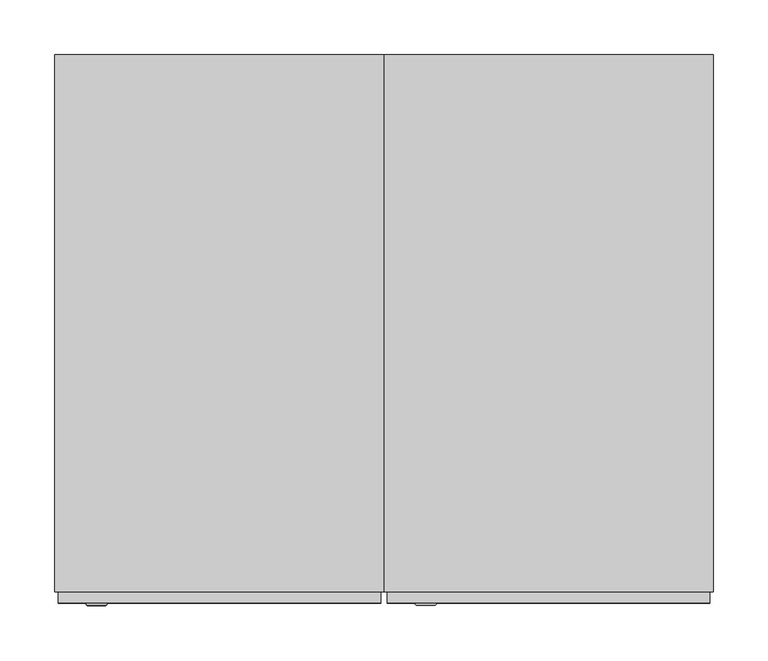
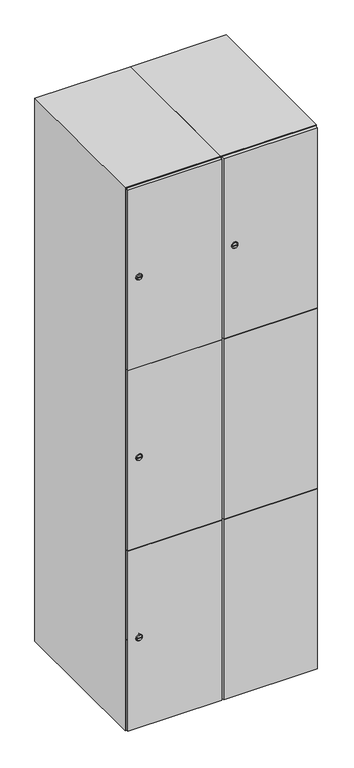
"""IFC4 building model written with IfcOpenShell, lengths in millimetres: furniture geometry."""

import ifcopenshell
import ifcopenshell.guid

model = None  # the IFC model being written
_history = None  # IfcOwnerHistory: only IFC2X3 demands one
_inside = {}  # id of a spatial element -> (the spatial element, [elements in it])
_under = {}  # id of a project, library or spatial element -> (it, [spatial elements below it])
_declared = {}  # id of a project -> (the project, [libraries it declares])
_typed = {}  # id of a type object -> (the type object, [elements of that type])
_made_of = {}  # id of a material, layer set ... -> (it, [elements and type objects made of it])


def new_model(schema):
    """Start an empty IFC model of exactly this schema.

    Asked for "IFC4X3", IfcOpenShell would pick the latest addendum, in which some entities
    have other attributes; the version numbers below select the first issue.
    IFC2X3 requires an IfcOwnerHistory on every rooted entity: one is made here for all.
    """
    global model, _history
    if schema == "IFC4X3":
        model = ifcopenshell.file(schema_version=(4, 3, 0, 0))
    else:
        model = ifcopenshell.file(schema=schema)
    _inside.clear()
    _under.clear()
    _declared.clear()
    _typed.clear()
    _made_of.clear()
    _history = None
    if model.schema == "IFC2X3":
        org = make("IfcOrganization", Name="unknown")
        user = make(
            "IfcPersonAndOrganization",
            ThePerson=make("IfcPerson", FamilyName="unknown"),
            TheOrganization=org,
        )
        app = make(
            "IfcApplication",
            ApplicationDeveloper=org,
            Version="unknown",
            ApplicationFullName="unknown",
            ApplicationIdentifier="unknown",
        )
        _history = make(
            "IfcOwnerHistory",
            OwningUser=user,
            OwningApplication=app,
            ChangeAction="ADDED",
            CreationDate=0,
        )
    return model


def make(cls, **values):
    """One entity of the class cls with the attributes given. An attribute that is None is left unset."""
    return model.create_entity(
        cls, **{name: value for name, value in values.items() if value is not None}
    )


def rooted(cls, **values):
    """An entity with a GlobalId (a new one), such as an element, a storey or a relation."""
    return make(cls, GlobalId=ifcopenshell.guid.new(), OwnerHistory=_history, **values)


def si_unit(unit_type, name, prefix=None):
    """IfcSIUnit, for example si_unit("LENGTHUNIT", "METRE", prefix="MILLI")."""
    return make("IfcSIUnit", UnitType=unit_type, Prefix=prefix, Name=name)


def assignment(units):
    """IfcUnitAssignment: the units of a project."""
    return None if units is None else make("IfcUnitAssignment", Units=units)


def point(xyz):
    """IfcCartesianPoint."""
    return None if xyz is None else make("IfcCartesianPoint", Coordinates=xyz)


def direction(xyz):
    """IfcDirection."""
    return None if xyz is None else make("IfcDirection", DirectionRatios=xyz)


def frame(location, z_axis=None, x_axis=None):
    """IfcAxis2Placement3D, a coordinate frame: its origin and axes. An axis left out is left unset."""
    return make(
        "IfcAxis2Placement3D",
        Location=point(location),
        Axis=direction(z_axis),
        RefDirection=direction(x_axis),
    )


def frame_2d(location, x_axis=None):
    """IfcAxis2Placement2D, a coordinate frame in the plane: its origin and x axis."""
    return make(
        "IfcAxis2Placement2D", Location=point(location), RefDirection=direction(x_axis)
    )


def origin():
    """The frame at (0, 0, 0) with its axes left unset."""
    return frame((0.0, 0.0, 0.0))


def place(relative_to, where):
    """IfcLocalPlacement: puts the frame where relative to a parent placement (None: the world)."""
    return make(
        "IfcLocalPlacement", PlacementRelTo=relative_to, RelativePlacement=where
    )


def context(
    kind, dimensions, precision=None, world=None, true_north=None, identifier=None
):
    """IfcGeometricRepresentationContext, for example the 3D "Model" context."""
    return make(
        "IfcGeometricRepresentationContext",
        ContextIdentifier=identifier,
        ContextType=kind,
        CoordinateSpaceDimension=dimensions,
        Precision=precision,
        WorldCoordinateSystem=world,
        TrueNorth=true_north,
    )


def project(units=None, contexts=None):
    """IfcProject with its units and contexts."""
    return rooted(
        "IfcProject",
        Name="project",
        RepresentationContexts=contexts,
        UnitsInContext=assignment(units),
    )


def spatial(cls, under=None, at=None, **own):
    """A site, building, storey or space (cls), placed at a placement, below another one or the project."""
    s = rooted(cls, ObjectPlacement=at, **own)
    if under is not None:
        _under.setdefault(under.id(), (under, []))[1].append(s)
    return s


def polyline(points):
    """IfcPolyline through the points."""
    return make("IfcPolyline", Points=[point(p) for p in points])


def circle_curve(where, radius):
    """IfcCircle in the frame where."""
    return make("IfcCircle", Position=where, Radius=radius)


def trimmed(basis, trim1, trim2, sense, master):
    """IfcTrimmedCurve: the piece of a basis curve between two trims."""
    return make(
        "IfcTrimmedCurve",
        BasisCurve=basis,
        Trim1=trim1,
        Trim2=trim2,
        SenseAgreement=sense,
        MasterRepresentation=master,
    )


def segment(curve, same_sense, transition):
    """IfcCompositeCurveSegment."""
    return make(
        "IfcCompositeCurveSegment",
        Transition=transition,
        SameSense=same_sense,
        ParentCurve=curve,
    )


def composite_curve(segments, self_intersect=None):
    """IfcCompositeCurve: segments joined end to end."""
    return make("IfcCompositeCurve", Segments=segments, SelfIntersect=self_intersect)


def outline(outer, holes=None, kind="AREA"):
    """IfcArbitraryClosedProfileDef: a profile drawn as a closed curve; with holes, ...WithVoids."""
    if holes is None:
        return make("IfcArbitraryClosedProfileDef", ProfileType=kind, OuterCurve=outer)
    return make(
        "IfcArbitraryProfileDefWithVoids",
        ProfileType=kind,
        OuterCurve=outer,
        InnerCurves=holes,
    )


def extrude(swept, where, along, depth):
    """IfcExtrudedAreaSolid: the profile swept, set in the frame where, extruded along a direction by depth."""
    return make(
        "IfcExtrudedAreaSolid",
        SweptArea=swept,
        Position=where,
        ExtrudedDirection=direction(along),
        Depth=depth,
    )


def faces_of(points, faces, orient=None, outer=None):
    """IfcFace entities. A face is a list of loops; a loop is a list of indices into points, from 0.

    orient and outer hold one flag for each loop. By default every Orientation is true, the
    first loop of a face is its IfcFaceOuterBound and the others are IfcFaceBound.
    """
    made = []
    for i, loops in enumerate(faces):
        bounds = []
        for j, loop in enumerate(loops):
            is_outer = j == 0 if outer is None else outer[i][j]
            bounds.append(
                make(
                    "IfcFaceOuterBound" if is_outer else "IfcFaceBound",
                    Bound=make("IfcPolyLoop", Polygon=[points[k] for k in loop]),
                    Orientation=True if orient is None else orient[i][j],
                )
            )
        made.append(make("IfcFace", Bounds=bounds))
    return made


def faceted_brep(points, faces, orient=None, outer=None, voids=None):
    """IfcFacetedBrep: a solid bounded by flat faces; with voids (closed shells), ...WithVoids."""
    shared = [point(p) for p in points]
    hull = make("IfcClosedShell", CfsFaces=faces_of(shared, faces, orient, outer))
    if voids is None:
        return make("IfcFacetedBrep", Outer=hull)
    return make(
        "IfcFacetedBrepWithVoids",
        Outer=hull,
        Voids=[
            make(cls, CfsFaces=faces_of(shared, fs, o, b)) for cls, fs, o, b in voids
        ],
    )


def shape(context_of_items, identifier, shape_type, items):
    """IfcShapeRepresentation: the items that make up one representation, for example the "Body"."""
    return make(
        "IfcShapeRepresentation",
        ContextOfItems=context_of_items,
        RepresentationIdentifier=identifier,
        RepresentationType=shape_type,
        Items=items,
    )


def source(mapping_origin, context_of_items, identifier, shape_type, items):
    """IfcRepresentationMap: a shape defined once, which mapped items show again and again."""
    return make(
        "IfcRepresentationMap",
        MappingOrigin=mapping_origin,
        MappedRepresentation=shape(context_of_items, identifier, shape_type, items),
    )


def transform(
    local_origin,
    x_axis=None,
    y_axis=None,
    z_axis=None,
    scale=None,
    scale2=None,
    scale3=None,
    uniform=True,
):
    """IfcCartesianTransformationOperator3D, or its non-uniform kind. x_axis, y_axis, z_axis: its Axis1, 2, 3."""
    if uniform:
        return make(
            "IfcCartesianTransformationOperator3D",
            Axis1=direction(x_axis),
            Axis2=direction(y_axis),
            LocalOrigin=point(local_origin),
            Scale=scale,
            Axis3=direction(z_axis),
        )
    return make(
        "IfcCartesianTransformationOperator3DnonUniform",
        Axis1=direction(x_axis),
        Axis2=direction(y_axis),
        LocalOrigin=point(local_origin),
        Scale=scale,
        Axis3=direction(z_axis),
        Scale2=scale2,
        Scale3=scale3,
    )


def mapped(mapping_source, mapping_target):
    """IfcMappedItem: shows the shape of a source again, moved by a transform."""
    return make(
        "IfcMappedItem", MappingSource=mapping_source, MappingTarget=mapping_target
    )


def made_of(thing, what):
    """Note that an element or type object is made of a material, layer set ...; save() writes the relation."""
    if what is not None:
        _made_of.setdefault(what.id(), (what, []))[1].append(thing)
    return thing


def element(
    cls,
    number,
    at=None,
    inside=None,
    cuts=None,
    type_object=None,
    material=None,
    context=None,
    identifier="Body",
    shape_type=None,
    held_by="IfcProductDefinitionShape",
    body=None,
    shapes=None,
    **own,
):
    """One element of the class cls, such as IfcWall. Its Tag is "e" and its number.

    at: its placement. inside: the storey or other place that contains it. cuts: it is an
    opening in that element (IfcRelVoidsElement). A single representation is given by context,
    identifier, shape_type and body (its items); several are given by shapes. held_by: the class
    of the entity that holds the representations. save() writes the other relations.
    """
    e = rooted(cls, Tag="e%d" % number, ObjectPlacement=at, **own)
    if body is not None:
        shapes = [shape(context, identifier, shape_type, body)]
    if shapes is not None:
        e.Representation = make(held_by, Representations=shapes)
    if inside is not None:
        _inside.setdefault(inside.id(), (inside, []))[1].append(e)
    if cuts is not None:
        rooted(
            "IfcRelVoidsElement", RelatingBuildingElement=cuts, RelatedOpeningElement=e
        )
    if type_object is not None:
        _typed.setdefault(type_object.id(), (type_object, []))[1].append(e)
    return made_of(e, material)


def aggregate(whole, parts):
    """IfcRelAggregates: a whole, such as a stair, and the parts it consists of."""
    return rooted("IfcRelAggregates", RelatingObject=whole, RelatedObjects=parts)


def save(model, path):
    """Write the relations noted so far, then the file.

    IfcRelAggregates (storeys below a building ...), IfcRelContainedInSpatialStructure (elements
    in a storey), IfcRelDefinesByType, IfcRelAssociatesMaterial and IfcRelDeclares: one each for
    every whole, place, type object, material and project.
    """
    for whole, parts in _under.values():
        aggregate(whole, parts)
    for where, things in _inside.values():
        rooted(
            "IfcRelContainedInSpatialStructure",
            RelatedElements=things,
            RelatingStructure=where,
        )
    for kind, things in _typed.values():
        rooted("IfcRelDefinesByType", RelatedObjects=things, RelatingType=kind)
    for what, things in _made_of.values():
        rooted("IfcRelAssociatesMaterial", RelatedObjects=things, RelatingMaterial=what)
    for by, libraries in _declared.values():
        rooted("IfcRelDeclares", RelatingContext=by, RelatedDefinitions=libraries)
    model.write(path)


def plane_surface(at):
    """IfcPlane: the flat surface through the origin of the frame at, square to its z axis."""
    return make("IfcPlane", Position=at)


def revolved_surface(curve, axis_point, axis_direction):
    """IfcSurfaceOfRevolution: the curve turned about the line through axis_point along axis_direction."""
    return make(
        "IfcSurfaceOfRevolution",
        SweptCurve=make("IfcArbitraryOpenProfileDef", ProfileType="CURVE", Curve=curve),
        AxisPosition=make("IfcAxis1Placement", Location=point(axis_point), Axis=direction(axis_direction)),
    )


def advanced_brep(points, edges, surfaces, faces):
    """IfcAdvancedBrep: a solid bounded by faces that lie on surfaces and meet in shared edges.

    An edge is (start, end): straight between two places in points (the first is 0);
    or (start, end, curve); or (start, end, curve, False) where it runs against its curve.
    A face is (place in surfaces, loops), or (place, loops, False) where it looks against
    its surface's normal. A loop lists edges by number (the first is 1), with a minus sign
    where the edge is run from its end to its start. The first loop is the outer one.
    """
    corners = [point(p) for p in points]
    vertices = [make("IfcVertexPoint", VertexGeometry=c) for c in corners]
    made = []
    for start, end, *more in edges:
        made.append(
            make(
                "IfcEdgeCurve",
                EdgeStart=vertices[start],
                EdgeEnd=vertices[end],
                EdgeGeometry=more[0] if more else make("IfcPolyline", Points=[corners[start], corners[end]]),
                SameSense=more[1] if len(more) > 1 else True,
            )
        )
    hull = []
    for where, loops, *sense in faces:
        bounds = []
        for j, loop in enumerate(loops):
            ring = [make("IfcOrientedEdge", EdgeElement=made[abs(k) - 1], Orientation=k > 0) for k in loop]
            bounds.append(
                make(
                    "IfcFaceOuterBound" if j == 0 else "IfcFaceBound",
                    Bound=make("IfcEdgeLoop", EdgeList=ring),
                    Orientation=True,
                )
            )
        hull.append(make("IfcAdvancedFace", Bounds=bounds, FaceSurface=surfaces[where], SameSense=sense[0] if sense else True))
    return make("IfcAdvancedBrep", Outer=make("IfcClosedShell", CfsFaces=hull))


def furniture_b70a7568(model_context):
    return source(origin(), model_context, "Body", "SolidModel", [
        extrude(outline(composite_curve([segment(trimmed(circle_curve(frame_2d((1598.0, 111.2010534)), 7.0), [point((1605.0, 111.2010534))], [point((1591.0, 111.2010534))], False, "CARTESIAN"), True, "CONTINUOUS"), segment(polyline([(1591.0, 111.2010534), (1591.0, 139.2010534)]), True, "CONTINUOUS"), segment(trimmed(circle_curve(frame_2d((1598.0, 139.2010534)), 7.0), [point((1591.0, 139.2010534))], [point((1605.0, 139.2010534))], False, "CARTESIAN"), True, "CONTINUOUS"), segment(polyline([(1605.0, 139.2010534), (1605.0, 111.2010534)]), True, "CONTINUOUS")], self_intersect=False)), frame((0.0, -245.0, 0.0), z_axis=(0.0, 1.0, 0.0), x_axis=(0.0, 0.0, 1.0)), (0.0, 0.0, 1.0), 2.0),
        advanced_brep(
        [(146.5, -257.2, 1598.0), (129.5, -257.2, 1598.0), (133.0, -257.2, 1596.75), (133.0, -257.2, 1599.25), (143.0, -257.2, 1599.25), (143.0, -257.2, 1596.75), (148.5, -255.0, 1598.0), (127.5, -255.0, 1598.0), (133.0, -255.0, 1599.25), (133.0, -255.0, 1596.75), (143.0, -255.0, 1596.75), (143.0, -255.0, 1599.25)],
        [
            (0, 1, circle_curve(frame((138.0, -257.2, 1598.0), z_axis=(0.0, -1.0, 0.0), x_axis=(1.0, 0.0, 0.0)), 8.5)),
            (1, 0, circle_curve(frame((138.0, -257.2, 1598.0), z_axis=(0.0, -1.0, 0.0), x_axis=(-1.0, 0.0, 0.0)), 8.5)),
            (2, 3),
            (3, 4),
            (4, 5),
            (5, 2),
            (6, 7, circle_curve(frame((138.0, -255.0, 1598.0), z_axis=(0.0, 1.0, 0.0), x_axis=(-1.0, 0.0, 0.0)), 10.5)),
            (7, 6, circle_curve(frame((138.0, -255.0, 1598.0), z_axis=(0.0, 1.0, 0.0), x_axis=(1.0, 0.0, 0.0)), 10.5)),
            (8, 9),
            (9, 10),
            (10, 11),
            (11, 8),
            (0, 6),
            (7, 1),
            (8, 3),
            (2, 9),
            (11, 4),
            (10, 5),
        ],
        [
            plane_surface(frame((138.0, -257.2, 1598.0), z_axis=(0.0, -1.0, 0.0), x_axis=(0.0, 0.0, 1.0))),
            plane_surface(frame((138.0, -255.0, 1598.0), z_axis=(0.0, 1.0, 0.0), x_axis=(0.0, 0.0, 1.0))),
            revolved_surface(polyline([(146.5, -257.2, 1598.0), (148.5, -255.0, 1598.0)]), (138.0, -266.55, 1598.0), (0.0, 1.0, 0.0)),
            revolved_surface(polyline([(129.5, -257.2, 1598.0), (127.5, -255.0, 1598.0)]), (138.0, -266.55, 1598.0), (0.0, 1.0, 0.0)),
            plane_surface(frame((133.0, -255.0, 1596.75), z_axis=(1.0, 0.0, 0.0), x_axis=(0.0, -1.0, 0.0))),
            plane_surface(frame((133.0, -255.0, 1599.25), z_axis=(0.0, 0.0, -1.0), x_axis=(0.0, -1.0, 0.0))),
            plane_surface(frame((143.0, -255.0, 1599.25), z_axis=(-1.0, 0.0, 0.0), x_axis=(0.0, -1.0, 0.0))),
            plane_surface(frame((143.0, -255.0, 1596.75), z_axis=(0.0, 0.0, 1.0), x_axis=(0.0, -1.0, 0.0))),
        ],
        [
            (0, [[1, 2], [3, 4, 5, 6]]),
            (1, [[7, 8], [9, 10, 11, 12]]),
            (2, [[-1, 13, -8, 14]]),
            (3, [[-2, -14, -7, -13]]),
            (4, [[15, -3, 16, -9]]),
            (5, [[-15, -12, 17, -4]]),
            (6, [[-17, -11, 18, -5]]),
            (7, [[-16, -6, -18, -10]]),
        ],
    ),
        extrude(outline(polyline([(397.0, -245.0), (397.0, -255.0), (103.0, -255.0), (103.0, -245.0), (397.0, -245.0)])), frame((0.0, 0.0, 701.5), z_axis=(0.0, 0.0, 1.0), x_axis=(1.0, 0.0, 0.0)), (0.0, 0.0, 1.0), 597.0),
        extrude(outline(polyline([(103.0, -255.0), (103.0, -245.0), (397.0, -245.0), (397.0, -255.0), (103.0, -255.0)])), frame((0.0, 0.0, 1299.5), z_axis=(0.0, 0.0, 1.0), x_axis=(1.0, 0.0, 0.0)), (0.0, 0.0, 1.0), 597.5),
        extrude(outline(polyline([(397.0, -245.0), (397.0, -255.0), (103.0, -255.0), (103.0, -245.0), (397.0, -245.0)])), frame((0.0, 0.0, 103.0), z_axis=(0.0, 0.0, 1.0), x_axis=(1.0, 0.0, 0.0)), (0.0, 0.0, 1.0), 597.5),
        extrude(outline(polyline([(390.0, 241.0), (390.0, -235.0), (110.0, -235.0), (110.0, 241.0), (390.0, 241.0)])), frame((0.0, 0.0, 1291.6666667), z_axis=(0.0, 0.0, 1.0), x_axis=(1.0, 0.0, 0.0)), (0.0, 0.0, 1.0), 10.0),
        extrude(outline(polyline([(110.0, 241.0), (390.0, 241.0), (390.0, -235.0), (110.0, -235.0), (110.0, 241.0)])), frame((0.0, 0.0, 698.3333333), z_axis=(0.0, 0.0, 1.0), x_axis=(1.0, 0.0, 0.0)), (0.0, 0.0, 1.0), 10.0),
        faceted_brep([(400.0, -245.0, 100.0), (400.0, -245.0, 1900.0), (100.0, -245.0, 1900.0), (100.0, -245.0, 100.0), (390.0, -245.0, 1890.0), (390.0, -245.0, 110.0), (110.0, -245.0, 110.0), (110.0, -245.0, 1890.0), (400.0, 245.0, 100.0), (100.0, 245.0, 100.0), (400.0, 245.0, 1900.0), (100.0, 245.0, 1900.0), (390.0, 241.0, 1890.0), (390.0, 241.0, 110.0), (100.0, 245.0, 1890.0), (110.0, 241.0, 1890.0), (110.0, 241.0, 110.0)], [[[0, 1, 2, 3], [4, 5, 6, 7]], [[8, 0, 3, 9]], [[1, 0, 8, 10]], [[1, 10, 11, 2]], [[4, 12, 13, 5]], [[9, 3, 2, 11, 14]], [[10, 8, 9, 14, 11]], [[12, 15, 16, 13]], [[15, 7, 6, 16]], [[4, 7, 15, 12]], [[6, 5, 13, 16]]]),
        extrude(outline(composite_curve([segment(trimmed(circle_curve(frame_2d((402.0, -188.7989466)), 7.0), [point((409.0, -188.7989466))], [point((395.0, -188.7989466))], False, "CARTESIAN"), True, "CONTINUOUS"), segment(polyline([(395.0, -188.7989466), (395.0, -160.7989466)]), True, "CONTINUOUS"), segment(trimmed(circle_curve(frame_2d((402.0, -160.7989466)), 7.0), [point((395.0, -160.7989466))], [point((409.0, -160.7989466))], False, "CARTESIAN"), True, "CONTINUOUS"), segment(polyline([(409.0, -160.7989466), (409.0, -188.7989466)]), True, "CONTINUOUS")], self_intersect=False)), frame((0.0, -245.0, 0.0), z_axis=(0.0, 1.0, 0.0), x_axis=(0.0, 0.0, 1.0)), (0.0, 0.0, 1.0), 2.0),
        advanced_brep(
        [(-153.5, -257.2, 402.0), (-170.5, -257.2, 402.0), (-167.0, -257.2, 400.75), (-167.0, -257.2, 403.25), (-157.0, -257.2, 403.25), (-157.0, -257.2, 400.75), (-151.5, -255.0, 402.0), (-172.5, -255.0, 402.0), (-167.0, -255.0, 403.25), (-167.0, -255.0, 400.75), (-157.0, -255.0, 400.75), (-157.0, -255.0, 403.25)],
        [
            (0, 1, circle_curve(frame((-162.0, -257.2, 402.0), z_axis=(0.0, -1.0, 0.0), x_axis=(1.0, 0.0, 0.0)), 8.5)),
            (1, 0, circle_curve(frame((-162.0, -257.2, 402.0), z_axis=(0.0, -1.0, 0.0), x_axis=(-1.0, 0.0, 0.0)), 8.5)),
            (2, 3),
            (3, 4),
            (4, 5),
            (5, 2),
            (6, 7, circle_curve(frame((-162.0, -255.0, 402.0), z_axis=(0.0, 1.0, 0.0), x_axis=(-1.0, 0.0, 0.0)), 10.5)),
            (7, 6, circle_curve(frame((-162.0, -255.0, 402.0), z_axis=(0.0, 1.0, 0.0), x_axis=(1.0, 0.0, 0.0)), 10.5)),
            (8, 9),
            (9, 10),
            (10, 11),
            (11, 8),
            (0, 6),
            (7, 1),
            (8, 3),
            (2, 9),
            (11, 4),
            (10, 5),
        ],
        [
            plane_surface(frame((-162.0, -257.2, 402.0), z_axis=(0.0, -1.0, 0.0), x_axis=(0.0, 0.0, 1.0))),
            plane_surface(frame((-162.0, -255.0, 402.0), z_axis=(0.0, 1.0, 0.0), x_axis=(0.0, 0.0, 1.0))),
            revolved_surface(polyline([(-153.5, -257.2, 402.0), (-151.5, -255.0, 402.0)]), (-162.0, -266.55, 402.0), (0.0, 1.0, 0.0)),
            revolved_surface(polyline([(-170.5, -257.2, 402.0), (-172.5, -255.0, 402.0)]), (-162.0, -266.55, 402.0), (0.0, 1.0, 0.0)),
            plane_surface(frame((-167.0, -255.0, 400.75), z_axis=(1.0, 0.0, 0.0), x_axis=(0.0, -1.0, 0.0))),
            plane_surface(frame((-167.0, -255.0, 403.25), z_axis=(0.0, 0.0, -1.0), x_axis=(0.0, -1.0, 0.0))),
            plane_surface(frame((-157.0, -255.0, 403.25), z_axis=(-1.0, 0.0, 0.0), x_axis=(0.0, -1.0, 0.0))),
            plane_surface(frame((-157.0, -255.0, 400.75), z_axis=(0.0, 0.0, 1.0), x_axis=(0.0, -1.0, 0.0))),
        ],
        [
            (0, [[1, 2], [3, 4, 5, 6]]),
            (1, [[7, 8], [9, 10, 11, 12]]),
            (2, [[-1, 13, -8, 14]]),
            (3, [[-2, -14, -7, -13]]),
            (4, [[15, -3, 16, -9]]),
            (5, [[-15, -12, 17, -4]]),
            (6, [[-17, -11, 18, -5]]),
            (7, [[-16, -6, -18, -10]]),
        ],
    ),
        extrude(outline(composite_curve([segment(trimmed(circle_curve(frame_2d((1000.0, -188.7989466)), 7.0), [point((1007.0, -188.7989466))], [point((993.0, -188.7989466))], False, "CARTESIAN"), True, "CONTINUOUS"), segment(polyline([(993.0, -188.7989466), (993.0, -160.7989466)]), True, "CONTINUOUS"), segment(trimmed(circle_curve(frame_2d((1000.0, -160.7989466)), 7.0), [point((993.0, -160.7989466))], [point((1007.0, -160.7989466))], False, "CARTESIAN"), True, "CONTINUOUS"), segment(polyline([(1007.0, -160.7989466), (1007.0, -188.7989466)]), True, "CONTINUOUS")], self_intersect=False)), frame((0.0, -245.0, 0.0), z_axis=(0.0, 1.0, 0.0), x_axis=(0.0, 0.0, 1.0)), (0.0, 0.0, 1.0), 2.0),
        advanced_brep(
        [(-153.5, -257.2, 1000.0), (-170.5, -257.2, 1000.0), (-167.0, -257.2, 998.75), (-167.0, -257.2, 1001.25), (-157.0, -257.2, 1001.25), (-157.0, -257.2, 998.75), (-151.5, -255.0, 1000.0), (-172.5, -255.0, 1000.0), (-167.0, -255.0, 1001.25), (-167.0, -255.0, 998.75), (-157.0, -255.0, 998.75), (-157.0, -255.0, 1001.25)],
        [
            (0, 1, circle_curve(frame((-162.0, -257.2, 1000.0), z_axis=(0.0, -1.0, 0.0), x_axis=(1.0, 0.0, 0.0)), 8.5)),
            (1, 0, circle_curve(frame((-162.0, -257.2, 1000.0), z_axis=(0.0, -1.0, 0.0), x_axis=(-1.0, 0.0, 0.0)), 8.5)),
            (2, 3),
            (3, 4),
            (4, 5),
            (5, 2),
            (6, 7, circle_curve(frame((-162.0, -255.0, 1000.0), z_axis=(0.0, 1.0, 0.0), x_axis=(-1.0, 0.0, 0.0)), 10.5)),
            (7, 6, circle_curve(frame((-162.0, -255.0, 1000.0), z_axis=(0.0, 1.0, 0.0), x_axis=(1.0, 0.0, 0.0)), 10.5)),
            (8, 9),
            (9, 10),
            (10, 11),
            (11, 8),
            (0, 6),
            (7, 1),
            (8, 3),
            (2, 9),
            (11, 4),
            (10, 5),
        ],
        [
            plane_surface(frame((-162.0, -257.2, 1000.0), z_axis=(0.0, -1.0, 0.0), x_axis=(0.0, 0.0, 1.0))),
            plane_surface(frame((-162.0, -255.0, 1000.0), z_axis=(0.0, 1.0, 0.0), x_axis=(0.0, 0.0, 1.0))),
            revolved_surface(polyline([(-153.5, -257.2, 1000.0), (-151.5, -255.0, 1000.0)]), (-162.0, -266.55, 1000.0), (0.0, 1.0, 0.0)),
            revolved_surface(polyline([(-170.5, -257.2, 1000.0), (-172.5, -255.0, 1000.0)]), (-162.0, -266.55, 1000.0), (0.0, 1.0, 0.0)),
            plane_surface(frame((-167.0, -255.0, 998.75), z_axis=(1.0, 0.0, 0.0), x_axis=(0.0, -1.0, 0.0))),
            plane_surface(frame((-167.0, -255.0, 1001.25), z_axis=(0.0, 0.0, -1.0), x_axis=(0.0, -1.0, 0.0))),
            plane_surface(frame((-157.0, -255.0, 1001.25), z_axis=(-1.0, 0.0, 0.0), x_axis=(0.0, -1.0, 0.0))),
            plane_surface(frame((-157.0, -255.0, 998.75), z_axis=(0.0, 0.0, 1.0), x_axis=(0.0, -1.0, 0.0))),
        ],
        [
            (0, [[1, 2], [3, 4, 5, 6]]),
            (1, [[7, 8], [9, 10, 11, 12]]),
            (2, [[-1, 13, -8, 14]]),
            (3, [[-2, -14, -7, -13]]),
            (4, [[15, -3, 16, -9]]),
            (5, [[-15, -12, 17, -4]]),
            (6, [[-17, -11, 18, -5]]),
            (7, [[-16, -6, -18, -10]]),
        ],
    ),
        extrude(outline(composite_curve([segment(trimmed(circle_curve(frame_2d((1598.0, -188.7989466)), 7.0), [point((1605.0, -188.7989466))], [point((1591.0, -188.7989466))], False, "CARTESIAN"), True, "CONTINUOUS"), segment(polyline([(1591.0, -188.7989466), (1591.0, -160.7989466)]), True, "CONTINUOUS"), segment(trimmed(circle_curve(frame_2d((1598.0, -160.7989466)), 7.0), [point((1591.0, -160.7989466))], [point((1605.0, -160.7989466))], False, "CARTESIAN"), True, "CONTINUOUS"), segment(polyline([(1605.0, -160.7989466), (1605.0, -188.7989466)]), True, "CONTINUOUS")], self_intersect=False)), frame((0.0, -245.0, 0.0), z_axis=(0.0, 1.0, 0.0), x_axis=(0.0, 0.0, 1.0)), (0.0, 0.0, 1.0), 2.0),
        advanced_brep(
        [(-153.5, -257.2, 1598.0), (-170.5, -257.2, 1598.0), (-167.0, -257.2, 1596.75), (-167.0, -257.2, 1599.25), (-157.0, -257.2, 1599.25), (-157.0, -257.2, 1596.75), (-151.5, -255.0, 1598.0), (-172.5, -255.0, 1598.0), (-167.0, -255.0, 1599.25), (-167.0, -255.0, 1596.75), (-157.0, -255.0, 1596.75), (-157.0, -255.0, 1599.25)],
        [
            (0, 1, circle_curve(frame((-162.0, -257.2, 1598.0), z_axis=(0.0, -1.0, 0.0), x_axis=(1.0, 0.0, 0.0)), 8.5)),
            (1, 0, circle_curve(frame((-162.0, -257.2, 1598.0), z_axis=(0.0, -1.0, 0.0), x_axis=(-1.0, 0.0, 0.0)), 8.5)),
            (2, 3),
            (3, 4),
            (4, 5),
            (5, 2),
            (6, 7, circle_curve(frame((-162.0, -255.0, 1598.0), z_axis=(0.0, 1.0, 0.0), x_axis=(-1.0, 0.0, 0.0)), 10.5)),
            (7, 6, circle_curve(frame((-162.0, -255.0, 1598.0), z_axis=(0.0, 1.0, 0.0), x_axis=(1.0, 0.0, 0.0)), 10.5)),
            (8, 9),
            (9, 10),
            (10, 11),
            (11, 8),
            (0, 6),
            (7, 1),
            (8, 3),
            (2, 9),
            (11, 4),
            (10, 5),
        ],
        [
            plane_surface(frame((-162.0, -257.2, 1598.0), z_axis=(0.0, -1.0, 0.0), x_axis=(0.0, 0.0, 1.0))),
            plane_surface(frame((-162.0, -255.0, 1598.0), z_axis=(0.0, 1.0, 0.0), x_axis=(0.0, 0.0, 1.0))),
            revolved_surface(polyline([(-153.5, -257.2, 1598.0), (-151.5, -255.0, 1598.0)]), (-162.0, -266.55, 1598.0), (0.0, 1.0, 0.0)),
            revolved_surface(polyline([(-170.5, -257.2, 1598.0), (-172.5, -255.0, 1598.0)]), (-162.0, -266.55, 1598.0), (0.0, 1.0, 0.0)),
            plane_surface(frame((-167.0, -255.0, 1596.75), z_axis=(1.0, 0.0, 0.0), x_axis=(0.0, -1.0, 0.0))),
            plane_surface(frame((-167.0, -255.0, 1599.25), z_axis=(0.0, 0.0, -1.0), x_axis=(0.0, -1.0, 0.0))),
            plane_surface(frame((-157.0, -255.0, 1599.25), z_axis=(-1.0, 0.0, 0.0), x_axis=(0.0, -1.0, 0.0))),
            plane_surface(frame((-157.0, -255.0, 1596.75), z_axis=(0.0, 0.0, 1.0), x_axis=(0.0, -1.0, 0.0))),
        ],
        [
            (0, [[1, 2], [3, 4, 5, 6]]),
            (1, [[7, 8], [9, 10, 11, 12]]),
            (2, [[-1, 13, -8, 14]]),
            (3, [[-2, -14, -7, -13]]),
            (4, [[15, -3, 16, -9]]),
            (5, [[-15, -12, 17, -4]]),
            (6, [[-17, -11, 18, -5]]),
            (7, [[-16, -6, -18, -10]]),
        ],
    ),
        extrude(outline(polyline([(97.0, -245.0), (97.0, -255.0), (-197.0, -255.0), (-197.0, -245.0), (97.0, -245.0)])), frame((0.0, 0.0, 701.5), z_axis=(0.0, 0.0, 1.0), x_axis=(1.0, 0.0, 0.0)), (0.0, 0.0, 1.0), 597.0),
        extrude(outline(polyline([(-197.0, -255.0), (-197.0, -245.0), (97.0, -245.0), (97.0, -255.0), (-197.0, -255.0)])), frame((0.0, 0.0, 1299.5), z_axis=(0.0, 0.0, 1.0), x_axis=(1.0, 0.0, 0.0)), (0.0, 0.0, 1.0), 597.5),
        extrude(outline(polyline([(97.0, -245.0), (97.0, -255.0), (-197.0, -255.0), (-197.0, -245.0), (97.0, -245.0)])), frame((0.0, 0.0, 103.0), z_axis=(0.0, 0.0, 1.0), x_axis=(1.0, 0.0, 0.0)), (0.0, 0.0, 1.0), 597.5),
        extrude(outline(polyline([(90.0, 241.0), (90.0, -235.0), (-190.0, -235.0), (-190.0, 241.0), (90.0, 241.0)])), frame((0.0, 0.0, 1291.6666667), z_axis=(0.0, 0.0, 1.0), x_axis=(1.0, 0.0, 0.0)), (0.0, 0.0, 1.0), 10.0),
        extrude(outline(polyline([(-190.0, 241.0), (90.0, 241.0), (90.0, -235.0), (-190.0, -235.0), (-190.0, 241.0)])), frame((0.0, 0.0, 698.3333333), z_axis=(0.0, 0.0, 1.0), x_axis=(1.0, 0.0, 0.0)), (0.0, 0.0, 1.0), 10.0),
        faceted_brep([(100.0, -245.0, 100.0), (100.0, -245.0, 1900.0), (-200.0, -245.0, 1900.0), (-200.0, -245.0, 100.0), (90.0, -245.0, 1890.0), (90.0, -245.0, 110.0), (-190.0, -245.0, 110.0), (-190.0, -245.0, 1890.0), (100.0, 245.0, 100.0), (-200.0, 245.0, 100.0), (100.0, 245.0, 1900.0), (-200.0, 245.0, 1900.0), (90.0, 241.0, 1890.0), (90.0, 241.0, 110.0), (-200.0, 245.0, 1890.0), (-190.0, 241.0, 1890.0), (-190.0, 241.0, 110.0)], [[[0, 1, 2, 3], [4, 5, 6, 7]], [[8, 0, 3, 9]], [[1, 0, 8, 10]], [[1, 10, 11, 2]], [[4, 12, 13, 5]], [[9, 3, 2, 11, 14]], [[10, 8, 9, 14, 11]], [[12, 15, 16, 13]], [[15, 7, 6, 16]], [[4, 7, 15, 12]], [[6, 5, 13, 16]]]),
    ])


if __name__ == "__main__":
    model = new_model("IFC4")
    model_context = context("Model", 3, world=origin())
    ifc_project = project(units=[si_unit("LENGTHUNIT", "METRE", prefix="MILLI")], contexts=[model_context])
    site = spatial("IfcSite", under=ifc_project)
    building = spatial("IfcBuilding", under=site)
    placement = place(None, origin())
    furniture_shape = furniture_b70a7568(model_context)
    element("IfcFurniture", 1, at=placement, inside=building, context=model_context, shape_type="MappedRepresentation", body=[
        mapped(furniture_shape, transform((0.0, 0.0, 0.0), x_axis=(1.0, 0.0, 0.0), y_axis=(0.0, 1.0, 0.0), z_axis=(0.0, 0.0, 1.0))),
    ])
    save(model, "model.ifc")
